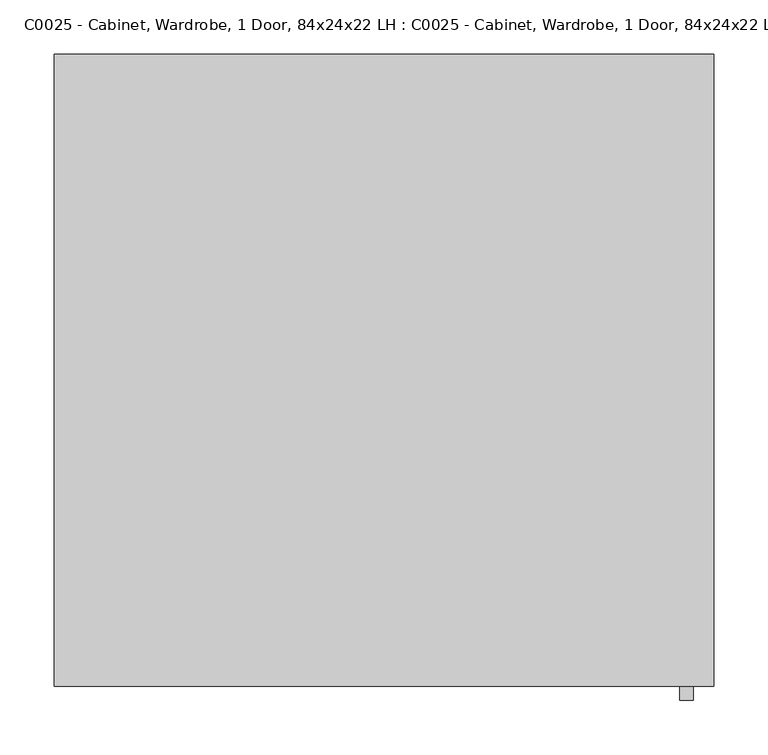
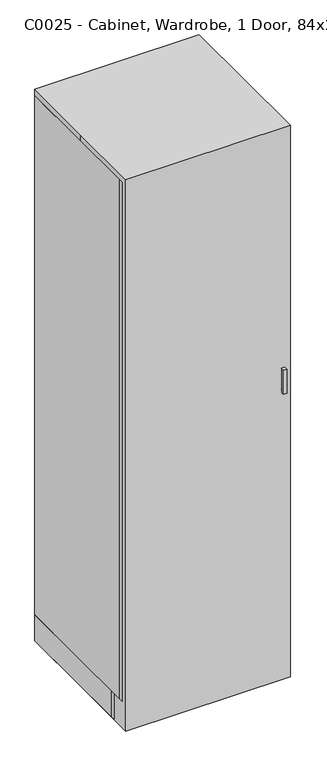
"""IFC4 building model written with IfcOpenShell, lengths in millimetres: proxy geometry, C0025 - Cabinet, Wardrobe, 1 Door, 84x24x22 LH : C0025 - Cabinet, Wardrobe, 1 Door, 84x24x22 LH."""

from ifc_helpers import new_model, si_unit, point, frame, frame_2d, origin, origin_with_axes, place, context, project, spatial, polyline, circle_curve, trimmed, segment, composite_curve, outline, extrude, source, transform, mapped, element, save


def c0025_cabinet_wardrobe_1_door_84x24x22_lh_c0025_cabinet_367b7b03(model_context):
    return source(origin(), model_context, "Body", "SweptSolid", [
        extrude(outline(polyline([(-304.7810937, 1219.2), (-266.7, 1219.2), (-266.7, 1206.5303499), (-292.1114436, 1206.5303499), (-292.1114436, 1136.6574627), (-266.7, 1136.6574627), (-266.7, 1123.9878126), (-304.7810937, 1123.9878126), (-304.7810937, 1219.2)])), frame((273.1988281, 0.0, 0.0), z_axis=(1.0, 0.0, 0.0), x_axis=(0.0, 1.0, 0.0)), (0.0, 0.0, 1.0), 12.4023437),
        extrude(outline(polyline([(-304.8, -247.65), (-304.8, 292.1), (-285.75, 292.1), (-285.75, -247.65), (-304.8, -247.65)])), frame((0.0, 0.0, 101.6), z_axis=(0.0, 0.0, 1.0), x_axis=(1.0, 0.0, 0.0)), (0.0, 0.0, 1.0), 2032.0),
        extrude(outline(polyline([(304.8, 292.1), (304.8, -247.65), (285.75, -247.65), (285.75, 292.1), (304.8, 292.1)])), frame((0.0, 0.0, 101.6), z_axis=(0.0, 0.0, 1.0), x_axis=(1.0, 0.0, 0.0)), (0.0, 0.0, 1.0), 2032.0),
        extrude(outline(composite_curve([segment(trimmed(circle_curve(frame_2d((0.0, 1572.32055)), 12.7), [point((-12.7, 1572.32055))], [point((12.7, 1572.32055))], False, "CARTESIAN"), True, "CONTINUOUS"), segment(trimmed(circle_curve(frame_2d((0.0, 1572.32055)), 12.7), [point((12.7, 1572.32055))], [point((-12.7, 1572.32055))], False, "CARTESIAN"), True, "CONTINUOUS")], self_intersect=False)), frame((-285.75, 0.0, 0.0), z_axis=(1.0, 0.0, 0.0), x_axis=(0.0, 1.0, 0.0)), (0.0, 0.0, 1.0), 571.5),
        extrude(outline(polyline([(285.75, -247.65), (-285.75, -247.65), (-285.75, 273.05), (285.75, 273.05), (285.75, -247.65)])), frame((0.0, 0.0, 1689.1), z_axis=(0.0, 0.0, 1.0), x_axis=(1.0, 0.0, 0.0)), (0.0, 0.0, 1.0), 25.4),
        extrude(outline(polyline([(285.75, 292.1), (285.75, -247.65), (-285.75, -247.65), (-285.75, 292.1), (285.75, 292.1)])), frame((0.0, 0.0, 2114.55), z_axis=(0.0, 0.0, 1.0), x_axis=(1.0, 0.0, 0.0)), (0.0, 0.0, 1.0), 19.05),
        extrude(outline(polyline([(304.8, -266.7), (-304.8, -266.7), (-304.8, -247.65), (304.8, -247.65), (304.8, -266.7)])), frame((0.0, 0.0, 101.6), z_axis=(0.0, 0.0, 1.0), x_axis=(1.0, 0.0, 0.0)), (0.0, 0.0, 1.0), 2032.0),
        extrude(outline(polyline([(285.75, 273.05), (-285.75, 273.05), (-285.75, 292.1), (285.75, 292.1), (285.75, 273.05)])), origin_with_axes(), (0.0, 0.0, 1.0), 2114.55),
        extrude(outline(polyline([(-285.75, 292.1), (-285.75, -196.85), (-304.8, -196.85), (-304.8, 292.1), (-285.75, 292.1)])), origin_with_axes(), (0.0, 0.0, 1.0), 101.6),
        extrude(outline(polyline([(304.8, 292.1), (304.8, -196.85), (285.75, -196.85), (285.75, 292.1), (304.8, 292.1)])), origin_with_axes(), (0.0, 0.0, 1.0), 101.6),
        extrude(outline(polyline([(285.75, -247.65), (-285.75, -247.65), (-285.75, 273.05), (285.75, 273.05), (285.75, -247.65)])), frame((0.0, 0.0, 101.6), z_axis=(0.0, 0.0, 1.0), x_axis=(1.0, 0.0, 0.0)), (0.0, 0.0, 1.0), 25.4),
        extrude(outline(polyline([(304.8, -196.85), (304.8, -215.9), (-304.8, -215.9), (-304.8, -196.85), (304.8, -196.85)])), origin_with_axes(), (0.0, 0.0, 1.0), 101.6),
        extrude(outline(polyline([(-304.8, 292.1), (304.8, 292.1), (304.8, -292.1), (-304.8, -292.1), (-304.8, 0.0), (-304.8, 292.1)])), origin_with_axes(), (0.0, 0.0, 1.0), 2159.0),
    ])


if __name__ == "__main__":
    model = new_model("IFC4")
    model_context = context("Model", 3, world=origin())
    ifc_project = project(units=[si_unit("LENGTHUNIT", "METRE", prefix="MILLI")], contexts=[model_context])
    site = spatial("IfcSite", under=ifc_project)
    building = spatial("IfcBuilding", under=site)
    placement = place(None, origin())
    c0025_cabinet_wardrobe_1_door_84x24x22_lh_c0025_cabinet_shape = c0025_cabinet_wardrobe_1_door_84x24x22_lh_c0025_cabinet_367b7b03(model_context)
    element("IfcBuildingElementProxy", 1, Name="C0025 - Cabinet, Wardrobe, 1 Door, 84x24x22 LH : C0025 - Cabinet, Wardrobe, 1 Door, 84x24x22 LH", ObjectType="C0025 - Cabinet, Wardrobe, 1 Door, 84x24x22 LH : C0025 - Cabinet, Wardrobe, 1 Door, 84x24x22 LH", at=placement, inside=building, context=model_context, shape_type="MappedRepresentation", body=[
        mapped(c0025_cabinet_wardrobe_1_door_84x24x22_lh_c0025_cabinet_shape, transform((0.0, 0.0, 0.0), x_axis=(1.0, 0.0, 0.0), y_axis=(0.0, 1.0, 0.0), z_axis=(0.0, 0.0, 1.0))),
    ])
    save(model, "model.ifc")
